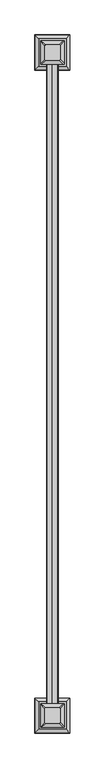
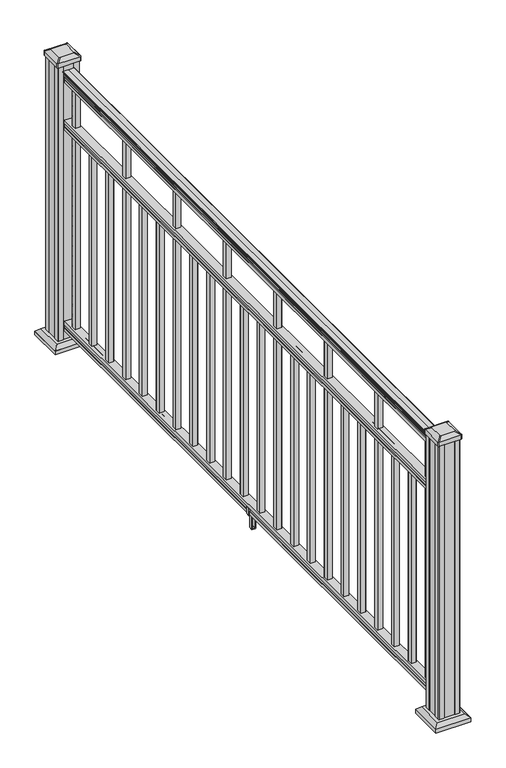
"""IFC4 building model written with IfcOpenShell, lengths in millimetres: railing geometry."""

import ifcopenshell
import ifcopenshell.guid

model = None  # the IFC model being written
_history = None  # IfcOwnerHistory: only IFC2X3 demands one
_inside = {}  # id of a spatial element -> (the spatial element, [elements in it])
_under = {}  # id of a project, library or spatial element -> (it, [spatial elements below it])
_declared = {}  # id of a project -> (the project, [libraries it declares])
_typed = {}  # id of a type object -> (the type object, [elements of that type])
_made_of = {}  # id of a material, layer set ... -> (it, [elements and type objects made of it])


def new_model(schema):
    """Start an empty IFC model of exactly this schema.

    Asked for "IFC4X3", IfcOpenShell would pick the latest addendum, in which some entities
    have other attributes; the version numbers below select the first issue.
    IFC2X3 requires an IfcOwnerHistory on every rooted entity: one is made here for all.
    """
    global model, _history
    if schema == "IFC4X3":
        model = ifcopenshell.file(schema_version=(4, 3, 0, 0))
    else:
        model = ifcopenshell.file(schema=schema)
    _inside.clear()
    _under.clear()
    _declared.clear()
    _typed.clear()
    _made_of.clear()
    _history = None
    if model.schema == "IFC2X3":
        org = make("IfcOrganization", Name="unknown")
        user = make(
            "IfcPersonAndOrganization",
            ThePerson=make("IfcPerson", FamilyName="unknown"),
            TheOrganization=org,
        )
        app = make(
            "IfcApplication",
            ApplicationDeveloper=org,
            Version="unknown",
            ApplicationFullName="unknown",
            ApplicationIdentifier="unknown",
        )
        _history = make(
            "IfcOwnerHistory",
            OwningUser=user,
            OwningApplication=app,
            ChangeAction="ADDED",
            CreationDate=0,
        )
    return model


def make(cls, **values):
    """One entity of the class cls with the attributes given. An attribute that is None is left unset."""
    return model.create_entity(
        cls, **{name: value for name, value in values.items() if value is not None}
    )


def rooted(cls, **values):
    """An entity with a GlobalId (a new one), such as an element, a storey or a relation."""
    return make(cls, GlobalId=ifcopenshell.guid.new(), OwnerHistory=_history, **values)


def si_unit(unit_type, name, prefix=None):
    """IfcSIUnit, for example si_unit("LENGTHUNIT", "METRE", prefix="MILLI")."""
    return make("IfcSIUnit", UnitType=unit_type, Prefix=prefix, Name=name)


def assignment(units):
    """IfcUnitAssignment: the units of a project."""
    return None if units is None else make("IfcUnitAssignment", Units=units)


def point(xyz):
    """IfcCartesianPoint."""
    return None if xyz is None else make("IfcCartesianPoint", Coordinates=xyz)


def direction(xyz):
    """IfcDirection."""
    return None if xyz is None else make("IfcDirection", DirectionRatios=xyz)


def frame(location, z_axis=None, x_axis=None):
    """IfcAxis2Placement3D, a coordinate frame: its origin and axes. An axis left out is left unset."""
    return make(
        "IfcAxis2Placement3D",
        Location=point(location),
        Axis=direction(z_axis),
        RefDirection=direction(x_axis),
    )


def frame_2d(location, x_axis=None):
    """IfcAxis2Placement2D, a coordinate frame in the plane: its origin and x axis."""
    return make(
        "IfcAxis2Placement2D", Location=point(location), RefDirection=direction(x_axis)
    )


def origin():
    """The frame at (0, 0, 0) with its axes left unset."""
    return frame((0.0, 0.0, 0.0))


def origin_with_axes():
    """The frame at (0, 0, 0) with the z axis (0, 0, 1) and the x axis (1, 0, 0) written out."""
    return frame((0.0, 0.0, 0.0), z_axis=(0.0, 0.0, 1.0), x_axis=(1.0, 0.0, 0.0))


def place(relative_to, where):
    """IfcLocalPlacement: puts the frame where relative to a parent placement (None: the world)."""
    return make(
        "IfcLocalPlacement", PlacementRelTo=relative_to, RelativePlacement=where
    )


def context(
    kind, dimensions, precision=None, world=None, true_north=None, identifier=None
):
    """IfcGeometricRepresentationContext, for example the 3D "Model" context."""
    return make(
        "IfcGeometricRepresentationContext",
        ContextIdentifier=identifier,
        ContextType=kind,
        CoordinateSpaceDimension=dimensions,
        Precision=precision,
        WorldCoordinateSystem=world,
        TrueNorth=true_north,
    )


def project(units=None, contexts=None):
    """IfcProject with its units and contexts."""
    return rooted(
        "IfcProject",
        Name="project",
        RepresentationContexts=contexts,
        UnitsInContext=assignment(units),
    )


def spatial(cls, under=None, at=None, **own):
    """A site, building, storey or space (cls), placed at a placement, below another one or the project."""
    s = rooted(cls, ObjectPlacement=at, **own)
    if under is not None:
        _under.setdefault(under.id(), (under, []))[1].append(s)
    return s


def polyline(points):
    """IfcPolyline through the points."""
    return make("IfcPolyline", Points=[point(p) for p in points])


def circle_curve(where, radius):
    """IfcCircle in the frame where."""
    return make("IfcCircle", Position=where, Radius=radius)


def trimmed(basis, trim1, trim2, sense, master):
    """IfcTrimmedCurve: the piece of a basis curve between two trims."""
    return make(
        "IfcTrimmedCurve",
        BasisCurve=basis,
        Trim1=trim1,
        Trim2=trim2,
        SenseAgreement=sense,
        MasterRepresentation=master,
    )


def segment(curve, same_sense, transition):
    """IfcCompositeCurveSegment."""
    return make(
        "IfcCompositeCurveSegment",
        Transition=transition,
        SameSense=same_sense,
        ParentCurve=curve,
    )


def composite_curve(segments, self_intersect=None):
    """IfcCompositeCurve: segments joined end to end."""
    return make("IfcCompositeCurve", Segments=segments, SelfIntersect=self_intersect)


def outline(outer, holes=None, kind="AREA"):
    """IfcArbitraryClosedProfileDef: a profile drawn as a closed curve; with holes, ...WithVoids."""
    if holes is None:
        return make("IfcArbitraryClosedProfileDef", ProfileType=kind, OuterCurve=outer)
    return make(
        "IfcArbitraryProfileDefWithVoids",
        ProfileType=kind,
        OuterCurve=outer,
        InnerCurves=holes,
    )


def extrude(swept, where, along, depth):
    """IfcExtrudedAreaSolid: the profile swept, set in the frame where, extruded along a direction by depth."""
    return make(
        "IfcExtrudedAreaSolid",
        SweptArea=swept,
        Position=where,
        ExtrudedDirection=direction(along),
        Depth=depth,
    )


def faces_of(points, faces, orient=None, outer=None):
    """IfcFace entities. A face is a list of loops; a loop is a list of indices into points, from 0.

    orient and outer hold one flag for each loop. By default every Orientation is true, the
    first loop of a face is its IfcFaceOuterBound and the others are IfcFaceBound.
    """
    made = []
    for i, loops in enumerate(faces):
        bounds = []
        for j, loop in enumerate(loops):
            is_outer = j == 0 if outer is None else outer[i][j]
            bounds.append(
                make(
                    "IfcFaceOuterBound" if is_outer else "IfcFaceBound",
                    Bound=make("IfcPolyLoop", Polygon=[points[k] for k in loop]),
                    Orientation=True if orient is None else orient[i][j],
                )
            )
        made.append(make("IfcFace", Bounds=bounds))
    return made


def faceted_brep(points, faces, orient=None, outer=None, voids=None):
    """IfcFacetedBrep: a solid bounded by flat faces; with voids (closed shells), ...WithVoids."""
    shared = [point(p) for p in points]
    hull = make("IfcClosedShell", CfsFaces=faces_of(shared, faces, orient, outer))
    if voids is None:
        return make("IfcFacetedBrep", Outer=hull)
    return make(
        "IfcFacetedBrepWithVoids",
        Outer=hull,
        Voids=[
            make(cls, CfsFaces=faces_of(shared, fs, o, b)) for cls, fs, o, b in voids
        ],
    )


def shape(context_of_items, identifier, shape_type, items):
    """IfcShapeRepresentation: the items that make up one representation, for example the "Body"."""
    return make(
        "IfcShapeRepresentation",
        ContextOfItems=context_of_items,
        RepresentationIdentifier=identifier,
        RepresentationType=shape_type,
        Items=items,
    )


def source(mapping_origin, context_of_items, identifier, shape_type, items):
    """IfcRepresentationMap: a shape defined once, which mapped items show again and again."""
    return make(
        "IfcRepresentationMap",
        MappingOrigin=mapping_origin,
        MappedRepresentation=shape(context_of_items, identifier, shape_type, items),
    )


def transform(
    local_origin,
    x_axis=None,
    y_axis=None,
    z_axis=None,
    scale=None,
    scale2=None,
    scale3=None,
    uniform=True,
):
    """IfcCartesianTransformationOperator3D, or its non-uniform kind. x_axis, y_axis, z_axis: its Axis1, 2, 3."""
    if uniform:
        return make(
            "IfcCartesianTransformationOperator3D",
            Axis1=direction(x_axis),
            Axis2=direction(y_axis),
            LocalOrigin=point(local_origin),
            Scale=scale,
            Axis3=direction(z_axis),
        )
    return make(
        "IfcCartesianTransformationOperator3DnonUniform",
        Axis1=direction(x_axis),
        Axis2=direction(y_axis),
        LocalOrigin=point(local_origin),
        Scale=scale,
        Axis3=direction(z_axis),
        Scale2=scale2,
        Scale3=scale3,
    )


def mapped(mapping_source, mapping_target):
    """IfcMappedItem: shows the shape of a source again, moved by a transform."""
    return make(
        "IfcMappedItem", MappingSource=mapping_source, MappingTarget=mapping_target
    )


def made_of(thing, what):
    """Note that an element or type object is made of a material, layer set ...; save() writes the relation."""
    if what is not None:
        _made_of.setdefault(what.id(), (what, []))[1].append(thing)
    return thing


def element(
    cls,
    number,
    at=None,
    inside=None,
    cuts=None,
    type_object=None,
    material=None,
    context=None,
    identifier="Body",
    shape_type=None,
    held_by="IfcProductDefinitionShape",
    body=None,
    shapes=None,
    **own,
):
    """One element of the class cls, such as IfcWall. Its Tag is "e" and its number.

    at: its placement. inside: the storey or other place that contains it. cuts: it is an
    opening in that element (IfcRelVoidsElement). A single representation is given by context,
    identifier, shape_type and body (its items); several are given by shapes. held_by: the class
    of the entity that holds the representations. save() writes the other relations.
    """
    e = rooted(cls, Tag="e%d" % number, ObjectPlacement=at, **own)
    if body is not None:
        shapes = [shape(context, identifier, shape_type, body)]
    if shapes is not None:
        e.Representation = make(held_by, Representations=shapes)
    if inside is not None:
        _inside.setdefault(inside.id(), (inside, []))[1].append(e)
    if cuts is not None:
        rooted(
            "IfcRelVoidsElement", RelatingBuildingElement=cuts, RelatedOpeningElement=e
        )
    if type_object is not None:
        _typed.setdefault(type_object.id(), (type_object, []))[1].append(e)
    return made_of(e, material)


def aggregate(whole, parts):
    """IfcRelAggregates: a whole, such as a stair, and the parts it consists of."""
    return rooted("IfcRelAggregates", RelatingObject=whole, RelatedObjects=parts)


def save(model, path):
    """Write the relations noted so far, then the file.

    IfcRelAggregates (storeys below a building ...), IfcRelContainedInSpatialStructure (elements
    in a storey), IfcRelDefinesByType, IfcRelAssociatesMaterial and IfcRelDeclares: one each for
    every whole, place, type object, material and project.
    """
    for whole, parts in _under.values():
        aggregate(whole, parts)
    for where, things in _inside.values():
        rooted(
            "IfcRelContainedInSpatialStructure",
            RelatedElements=things,
            RelatingStructure=where,
        )
    for kind, things in _typed.values():
        rooted("IfcRelDefinesByType", RelatedObjects=things, RelatingType=kind)
    for what, things in _made_of.values():
        rooted("IfcRelAssociatesMaterial", RelatedObjects=things, RelatingMaterial=what)
    for by, libraries in _declared.values():
        rooted("IfcRelDeclares", RelatingContext=by, RelatedDefinitions=libraries)
    model.write(path)


def plane_surface(at):
    """IfcPlane: the flat surface through the origin of the frame at, square to its z axis."""
    return make("IfcPlane", Position=at)


def extruded_surface(curve, direction_of_extrusion, depth):
    """IfcSurfaceOfLinearExtrusion: the curve pushed along a direction by depth."""
    return make(
        "IfcSurfaceOfLinearExtrusion",
        SweptCurve=make("IfcArbitraryOpenProfileDef", ProfileType="CURVE", Curve=curve),
        ExtrudedDirection=direction(direction_of_extrusion),
        Depth=depth,
    )


def advanced_brep(points, edges, surfaces, faces):
    """IfcAdvancedBrep: a solid bounded by faces that lie on surfaces and meet in shared edges.

    An edge is (start, end): straight between two places in points (the first is 0);
    or (start, end, curve); or (start, end, curve, False) where it runs against its curve.
    A face is (place in surfaces, loops), or (place, loops, False) where it looks against
    its surface's normal. A loop lists edges by number (the first is 1), with a minus sign
    where the edge is run from its end to its start. The first loop is the outer one.
    """
    corners = [point(p) for p in points]
    vertices = [make("IfcVertexPoint", VertexGeometry=c) for c in corners]
    made = []
    for start, end, *more in edges:
        made.append(
            make(
                "IfcEdgeCurve",
                EdgeStart=vertices[start],
                EdgeEnd=vertices[end],
                EdgeGeometry=more[0] if more else make("IfcPolyline", Points=[corners[start], corners[end]]),
                SameSense=more[1] if len(more) > 1 else True,
            )
        )
    hull = []
    for where, loops, *sense in faces:
        bounds = []
        for j, loop in enumerate(loops):
            ring = [make("IfcOrientedEdge", EdgeElement=made[abs(k) - 1], Orientation=k > 0) for k in loop]
            bounds.append(
                make(
                    "IfcFaceOuterBound" if j == 0 else "IfcFaceBound",
                    Bound=make("IfcEdgeLoop", EdgeList=ring),
                    Orientation=True,
                )
            )
        hull.append(make("IfcAdvancedFace", Bounds=bounds, FaceSurface=surfaces[where], SameSense=sense[0] if sense else True))
    return make("IfcAdvancedBrep", Outer=make("IfcClosedShell", CfsFaces=hull))


def railing_d4d1b028(model_context):
    return source(origin(), model_context, "Body", "SolidModel", [
        extrude(outline(composite_curve([segment(trimmed(circle_curve(frame_2d((1090.8043297, 3206.6195636)), 1.2869144), [point((1090.8043297, 3205.3326492))], [point((1090.8043297, 3207.9064779))], False, "CARTESIAN"), True, "CONTINUOUS"), segment(polyline([(1090.8043297, 3207.9064779), (1080.147013, 3207.9064779), (1079.131013, 3206.8904779), (1066.8, 3206.8904779), (1066.8, 3238.6404779), (1079.2888283, 3238.6404779), (1080.3048283, 3237.6244779), (1090.8043297, 3237.6244779)]), True, "CONTINUOUS"), segment(trimmed(circle_curve(frame_2d((1090.8043297, 3238.9113923)), 1.2869144), [point((1090.8043297, 3237.6244779))], [point((1090.8043297, 3240.1983067))], False, "CARTESIAN"), True, "CONTINUOUS"), segment(polyline([(1090.8043297, 3240.1983067), (1092.692412, 3240.1983067)]), True, "CONTINUOUS"), segment(trimmed(circle_curve(frame_2d((1098.4506383, 3233.8835534)), 8.545951), [point((1092.692412, 3240.1983067))], [point((1094.2546695, 3241.328493))], False, "CARTESIAN"), True, "CONTINUOUS"), segment(trimmed(circle_curve(frame_2d((1097.8636577, 3234.3206164)), 7.882584), [point((1094.2546695, 3241.328493))], [point((1101.4726458, 3241.328493))], False, "CARTESIAN"), True, "CONTINUOUS"), segment(trimmed(circle_curve(frame_2d((1103.7112527, 3244.8339405)), 4.1592695), [point((1101.4726458, 3241.328493))], [point((1103.9060812, 3240.6792366))], True, "CARTESIAN"), True, "CONTINUOUS"), segment(trimmed(circle_curve(frame_2d((1103.6508864, 3246.121247)), 5.4479907), [point((1103.9060812, 3240.6792366))], [point((1108.2362083, 3243.1792366))], True, "CARTESIAN"), True, "CONTINUOUS"), segment(trimmed(circle_curve(frame_2d((1108.233395, 3244.8880886)), 1.7088543), [point((1108.2362083, 3243.1792366))], [point((1109.9157972, 3244.588579))], True, "CARTESIAN"), True, "CONTINUOUS"), segment(trimmed(circle_curve(frame_2d((1111.0205318, 3243.2711885)), 1.7192895), [point((1109.9157972, 3244.588579))], [point((1111.0205318, 3244.990478))], False, "CARTESIAN"), True, "CONTINUOUS"), segment(polyline([(1111.0205318, 3244.990478), (1112.3608158, 3244.9904779)]), True, "CONTINUOUS"), segment(trimmed(circle_curve(frame_2d((1112.3608158, 3243.4370307)), 1.5534472), [point((1112.3608158, 3244.9904779))], [point((1113.914263, 3243.4370307))], False, "CARTESIAN"), True, "CONTINUOUS"), segment(polyline([(1113.914263, 3243.4370307), (1113.914263, 3222.7654779), (1113.914263, 3202.0939252)]), True, "CONTINUOUS"), segment(trimmed(circle_curve(frame_2d((1112.3608158, 3202.0939252)), 1.5534472), [point((1113.914263, 3202.0939252))], [point((1112.3608158, 3200.5404779))], False, "CARTESIAN"), True, "CONTINUOUS"), segment(polyline([(1112.3608158, 3200.5404779), (1111.0205318, 3200.5404779)]), True, "CONTINUOUS"), segment(trimmed(circle_curve(frame_2d((1111.0205318, 3202.2597674)), 1.7192895), [point((1111.0205318, 3200.5404779))], [point((1109.9157972, 3200.9423769))], False, "CARTESIAN"), True, "CONTINUOUS"), segment(trimmed(circle_curve(frame_2d((1108.233395, 3200.6428673)), 1.7088543), [point((1109.9157972, 3200.9423769))], [point((1108.2362083, 3202.3517193))], True, "CARTESIAN"), True, "CONTINUOUS"), segment(trimmed(circle_curve(frame_2d((1103.6508864, 3199.4097088)), 5.4479907), [point((1108.2362083, 3202.3517193))], [point((1103.9060812, 3204.8517193))], True, "CARTESIAN"), True, "CONTINUOUS"), segment(trimmed(circle_curve(frame_2d((1103.7112527, 3200.6970154)), 4.1592695), [point((1103.9060812, 3204.8517193))], [point((1101.4726458, 3204.2024629))], True, "CARTESIAN"), True, "CONTINUOUS"), segment(trimmed(circle_curve(frame_2d((1097.8636577, 3211.2103395)), 7.882584), [point((1101.4726458, 3204.2024629))], [point((1094.2546695, 3204.2024629))], False, "CARTESIAN"), True, "CONTINUOUS"), segment(trimmed(circle_curve(frame_2d((1098.4506383, 3211.6474025)), 8.545951), [point((1094.2546695, 3204.2024629))], [point((1092.692412, 3205.3326492))], False, "CARTESIAN"), True, "CONTINUOUS"), segment(polyline([(1092.692412, 3205.3326492), (1090.8043297, 3205.3326492)]), True, "CONTINUOUS")], self_intersect=False)), frame((0.0, -110355.3733589, 0.0), z_axis=(0.0, 1.0, 0.0), x_axis=(0.0, 0.0, 1.0)), (0.0, 0.0, 1.0), 2438.4),
        extrude(outline(polyline([(888.8541976, 3206.852991), (876.3, 3206.852991), (876.3, 3238.602991), (888.8375508, 3238.602991), (890.1858283, 3237.586991), (900.4975248, 3237.586991), (901.8458024, 3238.602991), (914.3958781, 3238.602991), (914.3958781, 3206.852991), (901.8624492, 3206.852991), (900.5141717, 3207.868991), (890.1546183, 3207.868991), (888.8541976, 3206.852991)])), frame((0.0, -110355.3733589, 0.0), z_axis=(0.0, 1.0, 0.0), x_axis=(0.0, 0.0, 1.0)), (0.0, 0.0, 1.0), 2438.4),
        extrude(outline(polyline([(76.0541976, 3206.852991), (63.5, 3206.852991), (63.5, 3238.602991), (76.0375508, 3238.602991), (77.3858283, 3237.586991), (87.6975248, 3237.586991), (89.0458024, 3238.602991), (101.5958781, 3238.602991), (101.5958781, 3206.852991), (89.0624492, 3206.852991), (87.7141717, 3207.868991), (77.3546183, 3207.868991), (76.0541976, 3206.852991)])), frame((0.0, -110355.3733589, 0.0), z_axis=(0.0, 1.0, 0.0), x_axis=(0.0, 0.0, 1.0)), (0.0, 0.0, 1.0), 2438.4),
        extrude(outline(polyline([(3213.2404779, -107976.2823589), (3213.2404779, -107957.2323589), (3232.2904779, -107957.2323589), (3232.2904779, -107976.2823589), (3213.2404779, -107976.2823589)]), holes=[polyline([(3213.6373529, -107975.8854839), (3231.8936029, -107975.8854839), (3231.8936029, -107957.6292339), (3213.6373529, -107957.6292339), (3213.6373529, -107975.8854839)])]), frame((0.0, 0.0, 101.5958781), z_axis=(0.0, 0.0, 1.0), x_axis=(1.0, 0.0, 0.0)), (0.0, 0.0, 1.0), 965.2041219),
        extrude(outline(polyline([(3213.2404779, -108087.5343589), (3213.2404779, -108068.4843589), (3232.2904779, -108068.4843589), (3232.2904779, -108087.5343589), (3213.2404779, -108087.5343589)]), holes=[polyline([(3213.6373529, -108087.1374839), (3231.8936029, -108087.1374839), (3231.8936029, -108068.8812339), (3213.6373529, -108068.8812339), (3213.6373529, -108087.1374839)])]), frame((0.0, 0.0, 101.5958781), z_axis=(0.0, 0.0, 1.0), x_axis=(1.0, 0.0, 0.0)), (0.0, 0.0, 1.0), 774.7041219),
        extrude(outline(polyline([(3213.2404779, -108198.7863589), (3213.2404779, -108179.7363589), (3232.2904779, -108179.7363589), (3232.2904779, -108198.7863589), (3213.2404779, -108198.7863589)]), holes=[polyline([(3213.6373529, -108198.3894839), (3231.8936029, -108198.3894839), (3231.8936029, -108180.1332339), (3213.6373529, -108180.1332339), (3213.6373529, -108198.3894839)])]), frame((0.0, 0.0, 101.5958781), z_axis=(0.0, 0.0, 1.0), x_axis=(1.0, 0.0, 0.0)), (0.0, 0.0, 1.0), 774.7041219),
        extrude(outline(polyline([(3213.2404779, -108310.0383589), (3213.2404779, -108290.9883589), (3232.2904779, -108290.9883589), (3232.2904779, -108310.0383589), (3213.2404779, -108310.0383589)]), holes=[polyline([(3213.6373529, -108309.6414839), (3231.8936029, -108309.6414839), (3231.8936029, -108291.3852339), (3213.6373529, -108291.3852339), (3213.6373529, -108309.6414839)])]), frame((0.0, 0.0, 101.5958781), z_axis=(0.0, 0.0, 1.0), x_axis=(1.0, 0.0, 0.0)), (0.0, 0.0, 1.0), 965.2041219),
        extrude(outline(polyline([(3213.2404779, -108421.2903589), (3213.2404779, -108402.2403589), (3232.2904779, -108402.2403589), (3232.2904779, -108421.2903589), (3213.2404779, -108421.2903589)]), holes=[polyline([(3213.6373529, -108420.8934839), (3231.8936029, -108420.8934839), (3231.8936029, -108402.6372339), (3213.6373529, -108402.6372339), (3213.6373529, -108420.8934839)])]), frame((0.0, 0.0, 101.5958781), z_axis=(0.0, 0.0, 1.0), x_axis=(1.0, 0.0, 0.0)), (0.0, 0.0, 1.0), 774.7041219),
        extrude(outline(polyline([(3213.2404779, -108532.5423589), (3213.2404779, -108513.4923589), (3232.2904779, -108513.4923589), (3232.2904779, -108532.5423589), (3213.2404779, -108532.5423589)]), holes=[polyline([(3213.6373529, -108532.1454839), (3231.8936029, -108532.1454839), (3231.8936029, -108513.8892339), (3213.6373529, -108513.8892339), (3213.6373529, -108532.1454839)])]), frame((0.0, 0.0, 101.5958781), z_axis=(0.0, 0.0, 1.0), x_axis=(1.0, 0.0, 0.0)), (0.0, 0.0, 1.0), 774.7041219),
        extrude(outline(polyline([(3213.2404779, -108643.7943589), (3213.2404779, -108624.7443589), (3232.2904779, -108624.7443589), (3232.2904779, -108643.7943589), (3213.2404779, -108643.7943589)]), holes=[polyline([(3213.6373529, -108643.3974839), (3231.8936029, -108643.3974839), (3231.8936029, -108625.1412339), (3213.6373529, -108625.1412339), (3213.6373529, -108643.3974839)])]), frame((0.0, 0.0, 101.5958781), z_axis=(0.0, 0.0, 1.0), x_axis=(1.0, 0.0, 0.0)), (0.0, 0.0, 1.0), 965.2041219),
        extrude(outline(polyline([(3213.2404779, -108755.0463589), (3213.2404779, -108735.9963589), (3232.2904779, -108735.9963589), (3232.2904779, -108755.0463589), (3213.2404779, -108755.0463589)]), holes=[polyline([(3213.6373529, -108754.6494839), (3231.8936029, -108754.6494839), (3231.8936029, -108736.3932339), (3213.6373529, -108736.3932339), (3213.6373529, -108754.6494839)])]), frame((0.0, 0.0, 101.5958781), z_axis=(0.0, 0.0, 1.0), x_axis=(1.0, 0.0, 0.0)), (0.0, 0.0, 1.0), 774.7041219),
        extrude(outline(polyline([(3213.2404779, -108866.2983589), (3213.2404779, -108847.2483589), (3232.2904779, -108847.2483589), (3232.2904779, -108866.2983589), (3213.2404779, -108866.2983589)]), holes=[polyline([(3213.6373529, -108865.9014839), (3231.8936029, -108865.9014839), (3231.8936029, -108847.6452339), (3213.6373529, -108847.6452339), (3213.6373529, -108865.9014839)])]), frame((0.0, 0.0, 101.5958781), z_axis=(0.0, 0.0, 1.0), x_axis=(1.0, 0.0, 0.0)), (0.0, 0.0, 1.0), 774.7041219),
        extrude(outline(polyline([(3213.2404779, -108977.5503589), (3213.2404779, -108958.5003589), (3232.2904779, -108958.5003589), (3232.2904779, -108977.5503589), (3213.2404779, -108977.5503589)]), holes=[polyline([(3213.6373529, -108977.1534839), (3231.8936029, -108977.1534839), (3231.8936029, -108958.8972339), (3213.6373529, -108958.8972339), (3213.6373529, -108977.1534839)])]), frame((0.0, 0.0, 101.5958781), z_axis=(0.0, 0.0, 1.0), x_axis=(1.0, 0.0, 0.0)), (0.0, 0.0, 1.0), 965.2041219),
        extrude(outline(polyline([(3213.2404779, -109088.8023589), (3213.2404779, -109069.7523589), (3232.2904779, -109069.7523589), (3232.2904779, -109088.8023589), (3213.2404779, -109088.8023589)]), holes=[polyline([(3213.6373529, -109088.4054839), (3231.8936029, -109088.4054839), (3231.8936029, -109070.1492339), (3213.6373529, -109070.1492339), (3213.6373529, -109088.4054839)])]), frame((0.0, 0.0, 101.5958781), z_axis=(0.0, 0.0, 1.0), x_axis=(1.0, 0.0, 0.0)), (0.0, 0.0, 1.0), 774.7041219),
        extrude(outline(polyline([(88.7203979, 3240.9264768), (88.7203979, 3238.8944772), (87.7043953, 3237.8784774), (77.2686081, 3237.8784774), (76.2526073, 3238.8944772), (64.262001, 3238.8944772), (63.5000019, 3238.132478), (63.5000019, 3207.3984769), (64.262001, 3206.6364778), (76.2526073, 3206.6364778), (77.2686081, 3207.6524775), (87.7043953, 3207.6524775), (88.7203979, 3206.6364778), (88.7203979, 3204.6044782), (87.9583969, 3203.8424771), (61.4680023, 3203.8424771), (60.7060013, 3204.6044782), (60.7060013, 3214.6374772), (59.9440012, 3215.3994773), (0.762001, 3215.3994773), (0.0, 3216.1614783), (0.0, 3229.3694776), (0.7620001, 3230.1314776), (59.9440012, 3230.1314776), (60.7060013, 3230.8934777), (60.7060013, 3240.9264768), (61.4680023, 3241.6884778), (87.9583969, 3241.6884778), (88.7203979, 3240.9264768)]), holes=[polyline([(60.7060013, 3219.3364776), (60.7060013, 3226.1944774), (59.9440012, 3226.9564775), (3.9370003, 3226.9564775), (3.1750031, 3226.1944802), (3.1750031, 3219.3364776), (3.9370031, 3218.5744775), (59.9440012, 3218.5744775), (60.7060013, 3219.3364776)])]), frame((0.0, -109142.2693589, 0.0), z_axis=(0.0, 1.0, 0.0), x_axis=(0.0, 0.0, 1.0)), (0.0, 0.0, 1.0), 14.732),
        extrude(outline(polyline([(3213.2404779, -109200.0543589), (3213.2404779, -109181.0043589), (3232.2904779, -109181.0043589), (3232.2904779, -109200.0543589), (3213.2404779, -109200.0543589)]), holes=[polyline([(3213.6373529, -109199.6574839), (3231.8936029, -109199.6574839), (3231.8936029, -109181.4012339), (3213.6373529, -109181.4012339), (3213.6373529, -109199.6574839)])]), frame((0.0, 0.0, 101.5958781), z_axis=(0.0, 0.0, 1.0), x_axis=(1.0, 0.0, 0.0)), (0.0, 0.0, 1.0), 774.7041219),
        extrude(outline(polyline([(3213.2404779, -109311.3063589), (3213.2404779, -109292.2563589), (3232.2904779, -109292.2563589), (3232.2904779, -109311.3063589), (3213.2404779, -109311.3063589)]), holes=[polyline([(3213.6373529, -109310.9094839), (3231.8936029, -109310.9094839), (3231.8936029, -109292.6532339), (3213.6373529, -109292.6532339), (3213.6373529, -109310.9094839)])]), frame((0.0, 0.0, 101.5958781), z_axis=(0.0, 0.0, 1.0), x_axis=(1.0, 0.0, 0.0)), (0.0, 0.0, 1.0), 965.2041219),
        extrude(outline(polyline([(3213.2404779, -109422.5583589), (3213.2404779, -109403.5083589), (3232.2904779, -109403.5083589), (3232.2904779, -109422.5583589), (3213.2404779, -109422.5583589)]), holes=[polyline([(3213.6373529, -109422.1614839), (3231.8936029, -109422.1614839), (3231.8936029, -109403.9052339), (3213.6373529, -109403.9052339), (3213.6373529, -109422.1614839)])]), frame((0.0, 0.0, 101.5958781), z_axis=(0.0, 0.0, 1.0), x_axis=(1.0, 0.0, 0.0)), (0.0, 0.0, 1.0), 774.7041219),
        extrude(outline(polyline([(3213.2404779, -109533.8103589), (3213.2404779, -109514.7603589), (3232.2904779, -109514.7603589), (3232.2904779, -109533.8103589), (3213.2404779, -109533.8103589)]), holes=[polyline([(3213.6373529, -109533.4134839), (3231.8936029, -109533.4134839), (3231.8936029, -109515.1572339), (3213.6373529, -109515.1572339), (3213.6373529, -109533.4134839)])]), frame((0.0, 0.0, 101.5958781), z_axis=(0.0, 0.0, 1.0), x_axis=(1.0, 0.0, 0.0)), (0.0, 0.0, 1.0), 774.7041219),
        extrude(outline(polyline([(3213.2404779, -109645.0623589), (3213.2404779, -109626.0123589), (3232.2904779, -109626.0123589), (3232.2904779, -109645.0623589), (3213.2404779, -109645.0623589)]), holes=[polyline([(3213.6373529, -109644.6654839), (3231.8936029, -109644.6654839), (3231.8936029, -109626.4092339), (3213.6373529, -109626.4092339), (3213.6373529, -109644.6654839)])]), frame((0.0, 0.0, 101.5958781), z_axis=(0.0, 0.0, 1.0), x_axis=(1.0, 0.0, 0.0)), (0.0, 0.0, 1.0), 965.2041219),
        extrude(outline(polyline([(3213.2404779, -109756.3143589), (3213.2404779, -109737.2643589), (3232.2904779, -109737.2643589), (3232.2904779, -109756.3143589), (3213.2404779, -109756.3143589)]), holes=[polyline([(3213.6373529, -109755.9174839), (3231.8936029, -109755.9174839), (3231.8936029, -109737.6612339), (3213.6373529, -109737.6612339), (3213.6373529, -109755.9174839)])]), frame((0.0, 0.0, 101.5958781), z_axis=(0.0, 0.0, 1.0), x_axis=(1.0, 0.0, 0.0)), (0.0, 0.0, 1.0), 774.7041219),
        extrude(outline(polyline([(3213.2404779, -109867.5663589), (3213.2404779, -109848.5163589), (3232.2904779, -109848.5163589), (3232.2904779, -109867.5663589), (3213.2404779, -109867.5663589)]), holes=[polyline([(3213.6373529, -109867.1694839), (3231.8936029, -109867.1694839), (3231.8936029, -109848.9132339), (3213.6373529, -109848.9132339), (3213.6373529, -109867.1694839)])]), frame((0.0, 0.0, 101.5958781), z_axis=(0.0, 0.0, 1.0), x_axis=(1.0, 0.0, 0.0)), (0.0, 0.0, 1.0), 774.7041219),
        extrude(outline(polyline([(3213.2404779, -109978.8183589), (3213.2404779, -109959.7683589), (3232.2904779, -109959.7683589), (3232.2904779, -109978.8183589), (3213.2404779, -109978.8183589)]), holes=[polyline([(3213.6373529, -109978.4214839), (3231.8936029, -109978.4214839), (3231.8936029, -109960.1652339), (3213.6373529, -109960.1652339), (3213.6373529, -109978.4214839)])]), frame((0.0, 0.0, 101.5958781), z_axis=(0.0, 0.0, 1.0), x_axis=(1.0, 0.0, 0.0)), (0.0, 0.0, 1.0), 965.2041219),
        extrude(outline(polyline([(3213.2404779, -110090.0703589), (3213.2404779, -110071.0203589), (3232.2904779, -110071.0203589), (3232.2904779, -110090.0703589), (3213.2404779, -110090.0703589)]), holes=[polyline([(3213.6373529, -110089.6734839), (3231.8936029, -110089.6734839), (3231.8936029, -110071.4172339), (3213.6373529, -110071.4172339), (3213.6373529, -110089.6734839)])]), frame((0.0, 0.0, 101.5958781), z_axis=(0.0, 0.0, 1.0), x_axis=(1.0, 0.0, 0.0)), (0.0, 0.0, 1.0), 774.7041219),
        extrude(outline(polyline([(3213.2404779, -110201.3223589), (3213.2404779, -110182.2723589), (3232.2904779, -110182.2723589), (3232.2904779, -110201.3223589), (3213.2404779, -110201.3223589)]), holes=[polyline([(3213.6373529, -110200.9254839), (3231.8936029, -110200.9254839), (3231.8936029, -110182.6692339), (3213.6373529, -110182.6692339), (3213.6373529, -110200.9254839)])]), frame((0.0, 0.0, 101.5958781), z_axis=(0.0, 0.0, 1.0), x_axis=(1.0, 0.0, 0.0)), (0.0, 0.0, 1.0), 774.7041219),
        extrude(outline(polyline([(3213.2404779, -110312.5743589), (3213.2404779, -110293.5243589), (3232.2904779, -110293.5243589), (3232.2904779, -110312.5743589), (3213.2404779, -110312.5743589)]), holes=[polyline([(3213.6373529, -110312.1774839), (3231.8936029, -110312.1774839), (3231.8936029, -110293.9212339), (3213.6373529, -110293.9212339), (3213.6373529, -110312.1774839)])]), frame((0.0, 0.0, 101.5958781), z_axis=(0.0, 0.0, 1.0), x_axis=(1.0, 0.0, 0.0)), (0.0, 0.0, 1.0), 965.2041219),
        faceted_brep([(3170.1795404, -107928.1572964, 28.575), (3275.3514154, -107928.1572964, 28.575), (3275.3514154, -107822.9854214, 28.575), (3170.1795404, -107822.9854214, 28.575), (3156.1400873, -107942.1967496, 15.24), (3156.1400873, -107808.9459683, 15.24), (3289.3908686, -107808.9459683, 15.24), (3289.3908686, -107942.1967496, 15.24)], [[[0, 1, 2, 3]], [[4, 5, 6, 7]], [[4, 7, 1, 0]], [[7, 6, 2, 1]], [[6, 5, 3, 2]], [[5, 4, 0, 3]]]),
        extrude(outline(polyline([(3156.1400873, -107942.1967496), (3156.1400873, -107808.9459683), (3289.3908686, -107808.9459683), (3289.3908686, -107942.1967496), (3156.1400873, -107942.1967496)])), origin_with_axes(), (0.0, 0.0, 1.0), 15.24),
        advanced_brep(
        [(3248.5623529, -107904.5432339, 1165.225), (3251.7373529, -107901.3682339, 1165.225), (3251.7373529, -107849.7744839, 1165.225), (3248.5623529, -107846.5994839, 1165.225), (3196.9686029, -107846.5994839, 1165.225), (3193.7936029, -107849.7744839, 1165.225), (3193.7936029, -107901.3682339, 1165.225), (3196.9686029, -107904.5432339, 1165.225), (3264.8342279, -107920.8151089, 1153.922), (3180.6967279, -107920.8151089, 1153.922), (3177.5217279, -107917.6401089, 1153.922), (3177.5217279, -107833.5026089, 1153.922), (3180.6967279, -107830.3276089, 1153.922), (3264.8342279, -107830.3276089, 1153.922), (3268.0092279, -107833.5026089, 1153.922), (3268.0092279, -107917.6401089, 1153.922)],
        [
            (0, 1, circle_curve(frame((3248.5623529, -107901.3682339, 1165.225), z_axis=(0.0, 0.0, 1.0), x_axis=(0.0, 1.0, 0.0)), 3.175)),
            (1, 2),
            (2, 3, circle_curve(frame((3248.5623529, -107849.7744839, 1165.225), z_axis=(0.0, 0.0, 1.0), x_axis=(0.0, 1.0, 0.0)), 3.175)),
            (3, 4),
            (4, 5, circle_curve(frame((3196.9686029, -107849.7744839, 1165.225), z_axis=(0.0, 0.0, 1.0), x_axis=(0.0, 1.0, 0.0)), 3.175)),
            (5, 6),
            (6, 7, circle_curve(frame((3196.9686029, -107901.3682339, 1165.225), z_axis=(0.0, 0.0, 1.0), x_axis=(0.0, 1.0, 0.0)), 3.175)),
            (7, 0),
            (8, 9),
            (9, 10, circle_curve(frame((3180.6967279, -107917.6401089, 1153.922), z_axis=(0.0, 0.0, -1.0), x_axis=(0.0, 1.0, 0.0)), 3.175)),
            (10, 11),
            (11, 12, circle_curve(frame((3180.6967279, -107833.5026089, 1153.922), z_axis=(0.0, 0.0, -1.0), x_axis=(0.0, 1.0, 0.0)), 3.175)),
            (12, 13),
            (13, 14, circle_curve(frame((3264.8342279, -107833.5026089, 1153.922), z_axis=(0.0, 0.0, -1.0), x_axis=(0.0, 1.0, 0.0)), 3.175)),
            (14, 15),
            (15, 8, circle_curve(frame((3264.8342279, -107917.6401089, 1153.922), z_axis=(0.0, 0.0, -1.0), x_axis=(0.0, 1.0, 0.0)), 3.175)),
            (15, 1),
            (0, 8),
            (14, 2),
            (13, 3),
            (12, 4),
            (11, 5),
            (10, 6),
            (9, 7),
        ],
        [
            plane_surface(frame((3222.7654779, -107875.5713589, 1165.225), z_axis=(0.0, 0.0, 1.0), x_axis=(1.0, 0.0, 0.0))),
            plane_surface(frame((3222.7654779, -107875.5713589, 1153.922), z_axis=(0.0, 0.0, -1.0), x_axis=(1.0, 0.0, 0.0))),
            extruded_surface(trimmed(circle_curve(frame((3264.8342279, -107917.6401089, 1153.922), z_axis=(0.0, 0.0, 1.0), x_axis=(0.0, 1.0, 0.0)), 3.175), [point((3264.8342279, -107920.8151089, 1153.922))], [point((3268.0092279, -107917.6401089, 1153.922))], True, "CARTESIAN"), (-16.27187499999991, 16.27187500000582, 11.302999999999884), 25.637972638869748),
            plane_surface(frame((3268.0092279, -107875.5713589, 1153.922), z_axis=(0.5705009161540777, 0.0, 0.8212969649690409), x_axis=(0.0, 1.0, 0.0))),
            extruded_surface(trimmed(circle_curve(frame((3264.8342279, -107833.5026089, 1153.922), z_axis=(0.0, 0.0, 1.0), x_axis=(0.0, 1.0, 0.0)), 3.175), [point((3268.0092279, -107833.5026089, 1153.922))], [point((3264.8342279, -107830.3276089, 1153.922))], True, "CARTESIAN"), (-16.27187499999991, -16.27187499999127, 11.302999999999884), 25.63797263886051),
            plane_surface(frame((3222.7654779, -107830.3276089, 1153.922), z_axis=(0.0, 0.5705009161540291, 0.8212969649690747), x_axis=(-1.0, 0.0, 0.0))),
            extruded_surface(trimmed(circle_curve(frame((3180.6967279, -107833.5026089, 1153.922), z_axis=(0.0, 0.0, 1.0), x_axis=(0.0, 1.0, 0.0)), 3.175), [point((3180.6967279, -107830.3276089, 1153.922))], [point((3177.5217279, -107833.5026089, 1153.922))], True, "CARTESIAN"), (16.27187499999991, -16.27187499999127, 11.302999999999884), 25.63797263886051),
            plane_surface(frame((3177.5217279, -107875.5713589, 1153.922), z_axis=(-0.5705009161540143, 0.0, 0.821296964969085), x_axis=(0.0, -1.0, 0.0))),
            extruded_surface(trimmed(circle_curve(frame((3180.6967279, -107917.6401089, 1153.922), z_axis=(0.0, 0.0, 1.0), x_axis=(0.0, 1.0, 0.0)), 3.175), [point((3177.5217279, -107917.6401089, 1153.922))], [point((3180.6967279, -107920.8151089, 1153.922))], True, "CARTESIAN"), (16.27187499999991, 16.27187500000582, 11.302999999999884), 25.637972638869748),
            plane_surface(frame((3222.7654779, -107920.8151089, 1153.922), z_axis=(0.0, -0.570500916154034, 0.8212969649690713), x_axis=(1.0, 0.0, 0.0))),
        ],
        [
            (0, [[1, 2, 3, 4, 5, 6, 7, 8]]),
            (1, [[9, 10, 11, 12, 13, 14, 15, 16]]),
            (2, [[-16, 17, -1, 18]]),
            (3, [[-15, 19, -2, -17]]),
            (4, [[-14, 20, -3, -19]]),
            (5, [[-13, 21, -4, -20]]),
            (6, [[-12, 22, -5, -21]]),
            (7, [[-11, 23, -6, -22]]),
            (8, [[-10, 24, -7, -23]]),
            (9, [[-9, -18, -8, -24]]),
        ],
    ),
        extrude(outline(composite_curve([segment(polyline([(3264.8342279, -107920.8151089), (3180.6967279, -107920.8151089)]), True, "CONTINUOUS"), segment(trimmed(circle_curve(frame_2d((3180.6967279, -107917.6401089)), 3.175), [point((3180.6967279, -107920.8151089))], [point((3177.5217279, -107917.6401089))], False, "CARTESIAN"), True, "CONTINUOUS"), segment(polyline([(3177.5217279, -107917.6401089), (3177.5217279, -107833.5026089)]), True, "CONTINUOUS"), segment(trimmed(circle_curve(frame_2d((3180.6967279, -107833.5026089)), 3.175), [point((3177.5217279, -107833.5026089))], [point((3180.6967279, -107830.3276089))], False, "CARTESIAN"), True, "CONTINUOUS"), segment(polyline([(3180.6967279, -107830.3276089), (3264.8342279, -107830.3276089)]), True, "CONTINUOUS"), segment(trimmed(circle_curve(frame_2d((3264.8342279, -107833.5026089)), 3.175), [point((3264.8342279, -107830.3276089))], [point((3268.0092279, -107833.5026089))], False, "CARTESIAN"), True, "CONTINUOUS"), segment(polyline([(3268.0092279, -107833.5026089), (3268.0092279, -107917.6401089)]), True, "CONTINUOUS"), segment(trimmed(circle_curve(frame_2d((3264.8342279, -107917.6401089)), 3.175), [point((3268.0092279, -107917.6401089))], [point((3264.8342279, -107920.8151089))], False, "CARTESIAN"), True, "CONTINUOUS")], self_intersect=False)), frame((0.0, 0.0, 1136.65), z_axis=(0.0, 0.0, 1.0), x_axis=(1.0, 0.0, 0.0)), (0.0, 0.0, 1.0), 17.272),
        extrude(outline(polyline([(3262.4529779, -107916.8463589), (3242.8314779, -107916.8463589), (3242.0694779, -107915.2588589), (3203.4614779, -107915.2588589), (3202.6994779, -107916.8463589), (3183.0779779, -107916.8463589), (3181.4904779, -107915.2588589), (3181.4904779, -107895.6373589), (3183.0779779, -107894.8753589), (3183.0779779, -107856.2673589), (3181.4904779, -107855.5053589), (3181.4904779, -107835.8838589), (3183.0779779, -107834.2963589), (3202.6994779, -107834.2963589), (3203.4614779, -107835.8838589), (3242.0694779, -107835.8838589), (3242.8314779, -107834.2963589), (3262.4529779, -107834.2963589), (3264.0404779, -107835.8838589), (3264.0404779, -107855.5053589), (3262.4529779, -107856.2673589), (3262.4529779, -107894.8753589), (3264.0404779, -107895.6373589), (3264.0404779, -107915.2588589), (3262.4529779, -107916.8463589)])), origin_with_axes(), (0.0, 0.0, 1.0), 1136.65),
        faceted_brep([(3170.1795404, -110449.3612964, 28.575), (3275.3514154, -110449.3612964, 28.575), (3275.3514154, -110344.1894214, 28.575), (3170.1795404, -110344.1894214, 28.575), (3156.1400873, -110463.4007496, 15.24), (3156.1400873, -110330.1499683, 15.24), (3289.3908686, -110330.1499683, 15.24), (3289.3908686, -110463.4007496, 15.24)], [[[0, 1, 2, 3]], [[4, 5, 6, 7]], [[4, 7, 1, 0]], [[7, 6, 2, 1]], [[6, 5, 3, 2]], [[5, 4, 0, 3]]]),
        extrude(outline(polyline([(3156.1400873, -110463.4007496), (3156.1400873, -110330.1499683), (3289.3908686, -110330.1499683), (3289.3908686, -110463.4007496), (3156.1400873, -110463.4007496)])), origin_with_axes(), (0.0, 0.0, 1.0), 15.24),
        advanced_brep(
        [(3248.5623529, -110425.7472339, 1165.225), (3251.7373529, -110422.5722339, 1165.225), (3251.7373529, -110370.9784839, 1165.225), (3248.5623529, -110367.8034839, 1165.225), (3196.9686029, -110367.8034839, 1165.225), (3193.7936029, -110370.9784839, 1165.225), (3193.7936029, -110422.5722339, 1165.225), (3196.9686029, -110425.7472339, 1165.225), (3264.8342279, -110442.0191089, 1153.922), (3180.6967279, -110442.0191089, 1153.922), (3177.5217279, -110438.8441089, 1153.922), (3177.5217279, -110354.7066089, 1153.922), (3180.6967279, -110351.5316089, 1153.922), (3264.8342279, -110351.5316089, 1153.922), (3268.0092279, -110354.7066089, 1153.922), (3268.0092279, -110438.8441089, 1153.922)],
        [
            (0, 1, circle_curve(frame((3248.5623529, -110422.5722339, 1165.225), z_axis=(0.0, 0.0, 1.0), x_axis=(0.0, 1.0, 0.0)), 3.175)),
            (1, 2),
            (2, 3, circle_curve(frame((3248.5623529, -110370.9784839, 1165.225), z_axis=(0.0, 0.0, 1.0), x_axis=(0.0, 1.0, 0.0)), 3.175)),
            (3, 4),
            (4, 5, circle_curve(frame((3196.9686029, -110370.9784839, 1165.225), z_axis=(0.0, 0.0, 1.0), x_axis=(0.0, 1.0, 0.0)), 3.175)),
            (5, 6),
            (6, 7, circle_curve(frame((3196.9686029, -110422.5722339, 1165.225), z_axis=(0.0, 0.0, 1.0), x_axis=(0.0, 1.0, 0.0)), 3.175)),
            (7, 0),
            (8, 9),
            (9, 10, circle_curve(frame((3180.6967279, -110438.8441089, 1153.922), z_axis=(0.0, 0.0, -1.0), x_axis=(0.0, 1.0, 0.0)), 3.175)),
            (10, 11),
            (11, 12, circle_curve(frame((3180.6967279, -110354.7066089, 1153.922), z_axis=(0.0, 0.0, -1.0), x_axis=(0.0, 1.0, 0.0)), 3.175)),
            (12, 13),
            (13, 14, circle_curve(frame((3264.8342279, -110354.7066089, 1153.922), z_axis=(0.0, 0.0, -1.0), x_axis=(0.0, 1.0, 0.0)), 3.175)),
            (14, 15),
            (15, 8, circle_curve(frame((3264.8342279, -110438.8441089, 1153.922), z_axis=(0.0, 0.0, -1.0), x_axis=(0.0, 1.0, 0.0)), 3.175)),
            (15, 1),
            (0, 8),
            (14, 2),
            (13, 3),
            (12, 4),
            (11, 5),
            (10, 6),
            (9, 7),
        ],
        [
            plane_surface(frame((3222.7654779, -110396.7753589, 1165.225), z_axis=(0.0, 0.0, 1.0), x_axis=(1.0, 0.0, 0.0))),
            plane_surface(frame((3222.7654779, -110396.7753589, 1153.922), z_axis=(0.0, 0.0, -1.0), x_axis=(1.0, 0.0, 0.0))),
            extruded_surface(trimmed(circle_curve(frame((3264.8342279, -110438.8441089, 1153.922), z_axis=(0.0, 0.0, 1.0), x_axis=(0.0, 1.0, 0.0)), 3.175), [point((3264.8342279, -110442.0191089, 1153.922))], [point((3268.0092279, -110438.8441089, 1153.922))], True, "CARTESIAN"), (-16.27187499999991, 16.27187499999127, 11.302999999999884), 25.63797263886051),
            plane_surface(frame((3268.0092279, -110396.7753589, 1153.922), z_axis=(0.5705009161540777, 0.0, 0.8212969649690409), x_axis=(0.0, 1.0, 0.0))),
            extruded_surface(trimmed(circle_curve(frame((3264.8342279, -110354.7066089, 1153.922), z_axis=(0.0, 0.0, 1.0), x_axis=(0.0, 1.0, 0.0)), 3.175), [point((3268.0092279, -110354.7066089, 1153.922))], [point((3264.8342279, -110351.5316089, 1153.922))], True, "CARTESIAN"), (-16.27187499999991, -16.27187500000582, 11.302999999999884), 25.637972638869748),
            plane_surface(frame((3222.7654779, -110351.5316089, 1153.922), z_axis=(0.0, 0.5705009161540291, 0.8212969649690747), x_axis=(-1.0, 0.0, 0.0))),
            extruded_surface(trimmed(circle_curve(frame((3180.6967279, -110354.7066089, 1153.922), z_axis=(0.0, 0.0, 1.0), x_axis=(0.0, 1.0, 0.0)), 3.175), [point((3180.6967279, -110351.5316089, 1153.922))], [point((3177.5217279, -110354.7066089, 1153.922))], True, "CARTESIAN"), (16.27187499999991, -16.27187500000582, 11.302999999999884), 25.637972638869748),
            plane_surface(frame((3177.5217279, -110396.7753589, 1153.922), z_axis=(-0.5705009161540143, 0.0, 0.821296964969085), x_axis=(0.0, -1.0, 0.0))),
            extruded_surface(trimmed(circle_curve(frame((3180.6967279, -110438.8441089, 1153.922), z_axis=(0.0, 0.0, 1.0), x_axis=(0.0, 1.0, 0.0)), 3.175), [point((3177.5217279, -110438.8441089, 1153.922))], [point((3180.6967279, -110442.0191089, 1153.922))], True, "CARTESIAN"), (16.27187499999991, 16.27187499999127, 11.302999999999884), 25.63797263886051),
            plane_surface(frame((3222.7654779, -110442.0191089, 1153.922), z_axis=(0.0, -0.570500916154034, 0.8212969649690713), x_axis=(1.0, 0.0, 0.0))),
        ],
        [
            (0, [[1, 2, 3, 4, 5, 6, 7, 8]]),
            (1, [[9, 10, 11, 12, 13, 14, 15, 16]]),
            (2, [[-16, 17, -1, 18]]),
            (3, [[-15, 19, -2, -17]]),
            (4, [[-14, 20, -3, -19]]),
            (5, [[-13, 21, -4, -20]]),
            (6, [[-12, 22, -5, -21]]),
            (7, [[-11, 23, -6, -22]]),
            (8, [[-10, 24, -7, -23]]),
            (9, [[-9, -18, -8, -24]]),
        ],
    ),
        extrude(outline(composite_curve([segment(polyline([(3264.8342279, -110442.0191089), (3180.6967279, -110442.0191089)]), True, "CONTINUOUS"), segment(trimmed(circle_curve(frame_2d((3180.6967279, -110438.8441089)), 3.175), [point((3180.6967279, -110442.0191089))], [point((3177.5217279, -110438.8441089))], False, "CARTESIAN"), True, "CONTINUOUS"), segment(polyline([(3177.5217279, -110438.8441089), (3177.5217279, -110354.7066089)]), True, "CONTINUOUS"), segment(trimmed(circle_curve(frame_2d((3180.6967279, -110354.7066089)), 3.175), [point((3177.5217279, -110354.7066089))], [point((3180.6967279, -110351.5316089))], False, "CARTESIAN"), True, "CONTINUOUS"), segment(polyline([(3180.6967279, -110351.5316089), (3264.8342279, -110351.5316089)]), True, "CONTINUOUS"), segment(trimmed(circle_curve(frame_2d((3264.8342279, -110354.7066089)), 3.175), [point((3264.8342279, -110351.5316089))], [point((3268.0092279, -110354.7066089))], False, "CARTESIAN"), True, "CONTINUOUS"), segment(polyline([(3268.0092279, -110354.7066089), (3268.0092279, -110438.8441089)]), True, "CONTINUOUS"), segment(trimmed(circle_curve(frame_2d((3264.8342279, -110438.8441089)), 3.175), [point((3268.0092279, -110438.8441089))], [point((3264.8342279, -110442.0191089))], False, "CARTESIAN"), True, "CONTINUOUS")], self_intersect=False)), frame((0.0, 0.0, 1136.65), z_axis=(0.0, 0.0, 1.0), x_axis=(1.0, 0.0, 0.0)), (0.0, 0.0, 1.0), 17.272),
        extrude(outline(polyline([(3262.4529779, -110438.0503589), (3242.8314779, -110438.0503589), (3242.0694779, -110436.4628589), (3203.4614779, -110436.4628589), (3202.6994779, -110438.0503589), (3183.0779779, -110438.0503589), (3181.4904779, -110436.4628589), (3181.4904779, -110416.8413589), (3183.0779779, -110416.0793589), (3183.0779779, -110377.4713589), (3181.4904779, -110376.7093589), (3181.4904779, -110357.0878589), (3183.0779779, -110355.5003589), (3202.6994779, -110355.5003589), (3203.4614779, -110357.0878589), (3242.0694779, -110357.0878589), (3242.8314779, -110355.5003589), (3262.4529779, -110355.5003589), (3264.0404779, -110357.0878589), (3264.0404779, -110376.7093589), (3262.4529779, -110377.4713589), (3262.4529779, -110416.0793589), (3264.0404779, -110416.8413589), (3264.0404779, -110436.4628589), (3262.4529779, -110438.0503589)])), origin_with_axes(), (0.0, 0.0, 1.0), 1136.65),
    ])


if __name__ == "__main__":
    model = new_model("IFC4")
    model_context = context("Model", 3, world=origin())
    ifc_project = project(units=[si_unit("LENGTHUNIT", "METRE", prefix="MILLI")], contexts=[model_context])
    site = spatial("IfcSite", under=ifc_project)
    building = spatial("IfcBuilding", under=site)
    placement = place(None, origin())
    railing_shape = railing_d4d1b028(model_context)
    element("IfcRailing", 1, at=placement, inside=building, context=model_context, shape_type="MappedRepresentation", body=[
        mapped(railing_shape, transform((0.0, 0.0, 0.0), x_axis=(1.0, 0.0, 0.0), y_axis=(0.0, 1.0, 0.0), z_axis=(0.0, 0.0, 1.0))),
    ])
    save(model, "model.ifc")
